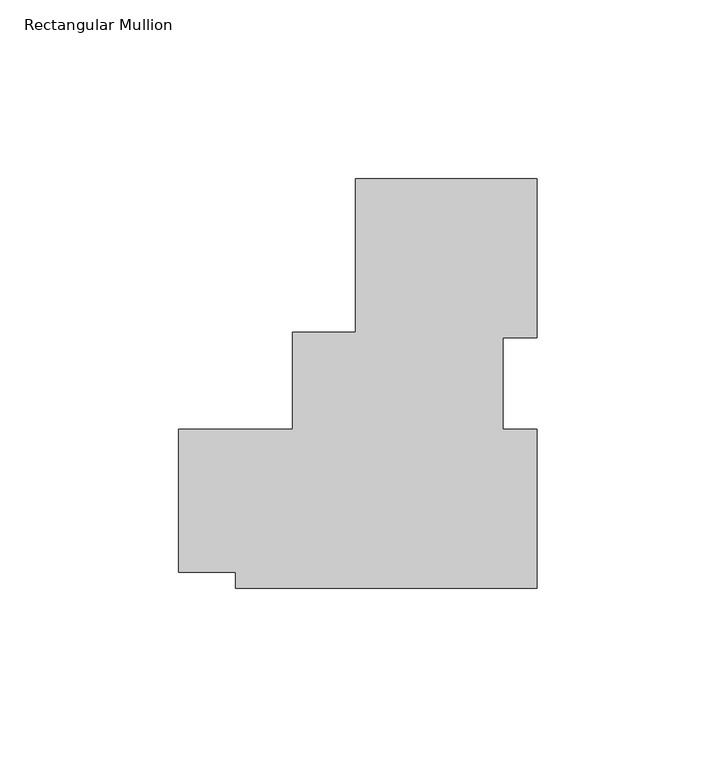
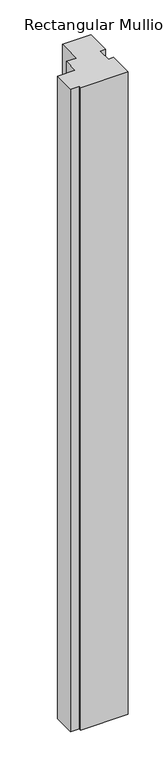
"""IFC4 building model written with IfcOpenShell, lengths in millimetres: member geometry, Rectangular Mullion."""

from ifc_helpers import new_model, si_unit, frame, origin, place, context, project, spatial, polyline, outline, extrude, source, transform, mapped, element, save


def rectangular_mullion_5b2ded90(model_context):
    return source(origin(), model_context, "Body", "SweptSolid", [
        extrude(outline(polyline([(-27.432, 49.9618), (23.368, 49.9618), (23.368, 5.5593731), (13.843, 5.5593731), (13.843, -19.9283252), (23.368, -19.9283252), (23.368, -64.3555885), (-60.8808106, -64.3555885), (-60.8808106, -59.9007985), (-76.754901, -59.9007985), (-76.754901, -19.895693), (-45.0067311, -19.895693), (-45.0067311, 7.0993), (-27.432, 7.0993), (-27.432, 49.9618)])), frame((0.0, 0.0, -1207.3586165), z_axis=(0.0, 0.0, 1.0), x_axis=(1.0, 0.0, 0.0)), (0.0, 0.0, 1.0), 1207.3586165),
    ])


if __name__ == "__main__":
    model = new_model("IFC4")
    model_context = context("Model", 3, world=origin())
    ifc_project = project(units=[si_unit("LENGTHUNIT", "METRE", prefix="MILLI")], contexts=[model_context])
    site = spatial("IfcSite", under=ifc_project)
    building = spatial("IfcBuilding", under=site)
    placement = place(None, origin())
    rectangular_mullion_shape = rectangular_mullion_5b2ded90(model_context)
    element("IfcMember", 1, ObjectType="Rectangular Mullion", at=placement, inside=building, context=model_context, shape_type="MappedRepresentation", body=[
        mapped(rectangular_mullion_shape, transform((0.0, 0.0, 0.0), x_axis=(1.0, 0.0, 0.0), y_axis=(0.0, 1.0, 0.0), z_axis=(0.0, 0.0, 1.0))),
    ])
    save(model, "model.ifc")
